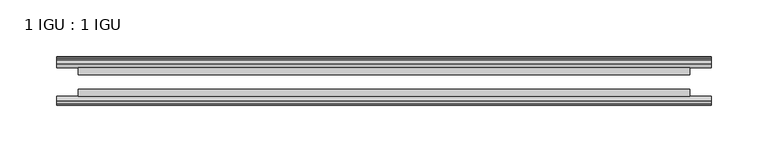
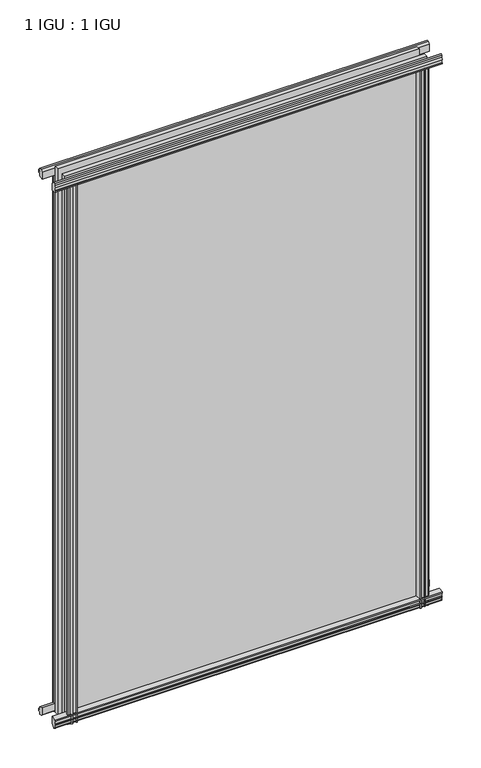
"""IFC4 building model written with IfcOpenShell, lengths in millimetres: plate geometry, 1 IGU : 1 IGU."""

import ifcopenshell
import ifcopenshell.guid

model = None  # the IFC model being written
_history = None  # IfcOwnerHistory: only IFC2X3 demands one
_inside = {}  # id of a spatial element -> (the spatial element, [elements in it])
_under = {}  # id of a project, library or spatial element -> (it, [spatial elements below it])
_declared = {}  # id of a project -> (the project, [libraries it declares])
_typed = {}  # id of a type object -> (the type object, [elements of that type])
_made_of = {}  # id of a material, layer set ... -> (it, [elements and type objects made of it])


def new_model(schema):
    """Start an empty IFC model of exactly this schema.

    Asked for "IFC4X3", IfcOpenShell would pick the latest addendum, in which some entities
    have other attributes; the version numbers below select the first issue.
    IFC2X3 requires an IfcOwnerHistory on every rooted entity: one is made here for all.
    """
    global model, _history
    if schema == "IFC4X3":
        model = ifcopenshell.file(schema_version=(4, 3, 0, 0))
    else:
        model = ifcopenshell.file(schema=schema)
    _inside.clear()
    _under.clear()
    _declared.clear()
    _typed.clear()
    _made_of.clear()
    _history = None
    if model.schema == "IFC2X3":
        org = make("IfcOrganization", Name="unknown")
        user = make(
            "IfcPersonAndOrganization",
            ThePerson=make("IfcPerson", FamilyName="unknown"),
            TheOrganization=org,
        )
        app = make(
            "IfcApplication",
            ApplicationDeveloper=org,
            Version="unknown",
            ApplicationFullName="unknown",
            ApplicationIdentifier="unknown",
        )
        _history = make(
            "IfcOwnerHistory",
            OwningUser=user,
            OwningApplication=app,
            ChangeAction="ADDED",
            CreationDate=0,
        )
    return model


def make(cls, **values):
    """One entity of the class cls with the attributes given. An attribute that is None is left unset."""
    return model.create_entity(
        cls, **{name: value for name, value in values.items() if value is not None}
    )


def rooted(cls, **values):
    """An entity with a GlobalId (a new one), such as an element, a storey or a relation."""
    return make(cls, GlobalId=ifcopenshell.guid.new(), OwnerHistory=_history, **values)


def si_unit(unit_type, name, prefix=None):
    """IfcSIUnit, for example si_unit("LENGTHUNIT", "METRE", prefix="MILLI")."""
    return make("IfcSIUnit", UnitType=unit_type, Prefix=prefix, Name=name)


def assignment(units):
    """IfcUnitAssignment: the units of a project."""
    return None if units is None else make("IfcUnitAssignment", Units=units)


def point(xyz):
    """IfcCartesianPoint."""
    return None if xyz is None else make("IfcCartesianPoint", Coordinates=xyz)


def direction(xyz):
    """IfcDirection."""
    return None if xyz is None else make("IfcDirection", DirectionRatios=xyz)


def frame(location, z_axis=None, x_axis=None):
    """IfcAxis2Placement3D, a coordinate frame: its origin and axes. An axis left out is left unset."""
    return make(
        "IfcAxis2Placement3D",
        Location=point(location),
        Axis=direction(z_axis),
        RefDirection=direction(x_axis),
    )


def frame_2d(location, x_axis=None):
    """IfcAxis2Placement2D, a coordinate frame in the plane: its origin and x axis."""
    return make(
        "IfcAxis2Placement2D", Location=point(location), RefDirection=direction(x_axis)
    )


def origin():
    """The frame at (0, 0, 0) with its axes left unset."""
    return frame((0.0, 0.0, 0.0))


def place(relative_to, where):
    """IfcLocalPlacement: puts the frame where relative to a parent placement (None: the world)."""
    return make(
        "IfcLocalPlacement", PlacementRelTo=relative_to, RelativePlacement=where
    )


def context(
    kind, dimensions, precision=None, world=None, true_north=None, identifier=None
):
    """IfcGeometricRepresentationContext, for example the 3D "Model" context."""
    return make(
        "IfcGeometricRepresentationContext",
        ContextIdentifier=identifier,
        ContextType=kind,
        CoordinateSpaceDimension=dimensions,
        Precision=precision,
        WorldCoordinateSystem=world,
        TrueNorth=true_north,
    )


def project(units=None, contexts=None):
    """IfcProject with its units and contexts."""
    return rooted(
        "IfcProject",
        Name="project",
        RepresentationContexts=contexts,
        UnitsInContext=assignment(units),
    )


def spatial(cls, under=None, at=None, **own):
    """A site, building, storey or space (cls), placed at a placement, below another one or the project."""
    s = rooted(cls, ObjectPlacement=at, **own)
    if under is not None:
        _under.setdefault(under.id(), (under, []))[1].append(s)
    return s


def polyline(points):
    """IfcPolyline through the points."""
    return make("IfcPolyline", Points=[point(p) for p in points])


def circle_curve(where, radius):
    """IfcCircle in the frame where."""
    return make("IfcCircle", Position=where, Radius=radius)


def trimmed(basis, trim1, trim2, sense, master):
    """IfcTrimmedCurve: the piece of a basis curve between two trims."""
    return make(
        "IfcTrimmedCurve",
        BasisCurve=basis,
        Trim1=trim1,
        Trim2=trim2,
        SenseAgreement=sense,
        MasterRepresentation=master,
    )


def segment(curve, same_sense, transition):
    """IfcCompositeCurveSegment."""
    return make(
        "IfcCompositeCurveSegment",
        Transition=transition,
        SameSense=same_sense,
        ParentCurve=curve,
    )


def composite_curve(segments, self_intersect=None):
    """IfcCompositeCurve: segments joined end to end."""
    return make("IfcCompositeCurve", Segments=segments, SelfIntersect=self_intersect)


def outline(outer, holes=None, kind="AREA"):
    """IfcArbitraryClosedProfileDef: a profile drawn as a closed curve; with holes, ...WithVoids."""
    if holes is None:
        return make("IfcArbitraryClosedProfileDef", ProfileType=kind, OuterCurve=outer)
    return make(
        "IfcArbitraryProfileDefWithVoids",
        ProfileType=kind,
        OuterCurve=outer,
        InnerCurves=holes,
    )


def extrude(swept, where, along, depth):
    """IfcExtrudedAreaSolid: the profile swept, set in the frame where, extruded along a direction by depth."""
    return make(
        "IfcExtrudedAreaSolid",
        SweptArea=swept,
        Position=where,
        ExtrudedDirection=direction(along),
        Depth=depth,
    )


def shape(context_of_items, identifier, shape_type, items):
    """IfcShapeRepresentation: the items that make up one representation, for example the "Body"."""
    return make(
        "IfcShapeRepresentation",
        ContextOfItems=context_of_items,
        RepresentationIdentifier=identifier,
        RepresentationType=shape_type,
        Items=items,
    )


def source(mapping_origin, context_of_items, identifier, shape_type, items):
    """IfcRepresentationMap: a shape defined once, which mapped items show again and again."""
    return make(
        "IfcRepresentationMap",
        MappingOrigin=mapping_origin,
        MappedRepresentation=shape(context_of_items, identifier, shape_type, items),
    )


def transform(
    local_origin,
    x_axis=None,
    y_axis=None,
    z_axis=None,
    scale=None,
    scale2=None,
    scale3=None,
    uniform=True,
):
    """IfcCartesianTransformationOperator3D, or its non-uniform kind. x_axis, y_axis, z_axis: its Axis1, 2, 3."""
    if uniform:
        return make(
            "IfcCartesianTransformationOperator3D",
            Axis1=direction(x_axis),
            Axis2=direction(y_axis),
            LocalOrigin=point(local_origin),
            Scale=scale,
            Axis3=direction(z_axis),
        )
    return make(
        "IfcCartesianTransformationOperator3DnonUniform",
        Axis1=direction(x_axis),
        Axis2=direction(y_axis),
        LocalOrigin=point(local_origin),
        Scale=scale,
        Axis3=direction(z_axis),
        Scale2=scale2,
        Scale3=scale3,
    )


def mapped(mapping_source, mapping_target):
    """IfcMappedItem: shows the shape of a source again, moved by a transform."""
    return make(
        "IfcMappedItem", MappingSource=mapping_source, MappingTarget=mapping_target
    )


def made_of(thing, what):
    """Note that an element or type object is made of a material, layer set ...; save() writes the relation."""
    if what is not None:
        _made_of.setdefault(what.id(), (what, []))[1].append(thing)
    return thing


def element(
    cls,
    number,
    at=None,
    inside=None,
    cuts=None,
    type_object=None,
    material=None,
    context=None,
    identifier="Body",
    shape_type=None,
    held_by="IfcProductDefinitionShape",
    body=None,
    shapes=None,
    **own,
):
    """One element of the class cls, such as IfcWall. Its Tag is "e" and its number.

    at: its placement. inside: the storey or other place that contains it. cuts: it is an
    opening in that element (IfcRelVoidsElement). A single representation is given by context,
    identifier, shape_type and body (its items); several are given by shapes. held_by: the class
    of the entity that holds the representations. save() writes the other relations.
    """
    e = rooted(cls, Tag="e%d" % number, ObjectPlacement=at, **own)
    if body is not None:
        shapes = [shape(context, identifier, shape_type, body)]
    if shapes is not None:
        e.Representation = make(held_by, Representations=shapes)
    if inside is not None:
        _inside.setdefault(inside.id(), (inside, []))[1].append(e)
    if cuts is not None:
        rooted(
            "IfcRelVoidsElement", RelatingBuildingElement=cuts, RelatedOpeningElement=e
        )
    if type_object is not None:
        _typed.setdefault(type_object.id(), (type_object, []))[1].append(e)
    return made_of(e, material)


def aggregate(whole, parts):
    """IfcRelAggregates: a whole, such as a stair, and the parts it consists of."""
    return rooted("IfcRelAggregates", RelatingObject=whole, RelatedObjects=parts)


def save(model, path):
    """Write the relations noted so far, then the file.

    IfcRelAggregates (storeys below a building ...), IfcRelContainedInSpatialStructure (elements
    in a storey), IfcRelDefinesByType, IfcRelAssociatesMaterial and IfcRelDeclares: one each for
    every whole, place, type object, material and project.
    """
    for whole, parts in _under.values():
        aggregate(whole, parts)
    for where, things in _inside.values():
        rooted(
            "IfcRelContainedInSpatialStructure",
            RelatedElements=things,
            RelatingStructure=where,
        )
    for kind, things in _typed.values():
        rooted("IfcRelDefinesByType", RelatedObjects=things, RelatingType=kind)
    for what, things in _made_of.values():
        rooted("IfcRelAssociatesMaterial", RelatedObjects=things, RelatingMaterial=what)
    for by, libraries in _declared.values():
        rooted("IfcRelDeclares", RelatingContext=by, RelatedDefinitions=libraries)
    model.write(path)


def plate_1_igu_1_igu_9ffc0d83(model_context):
    return source(origin(), model_context, "Body", "SweptSolid", [
        extrude(outline(composite_curve([segment(polyline([(-46.2359545, 846.392137), (-46.2359545, 835.3699197), (-53.3197108, 836.7372291)]), True, "CONTINUOUS"), segment(trimmed(circle_curve(frame_2d((-53.1447545, 837.7380519)), 1.016), [point((-53.3197108, 836.7372291))], [point((-53.8888005, 838.4298983))], False, "CARTESIAN"), True, "CONTINUOUS"), segment(polyline([(-53.8888005, 838.4298983), (-52.5859205, 838.2460519), (-52.5859205, 843.6562519), (-54.0652165, 843.9170917), (-52.5859205, 846.5010519), (-52.5859205, 849.6760519)]), True, "CONTINUOUS"), segment(trimmed(circle_curve(frame_2d((-51.3159205, 849.6760519)), 1.27), [point((-52.5859205, 849.6760519))], [point((-50.4178949, 850.5740775))], False, "CARTESIAN"), True, "CONTINUOUS"), segment(polyline([(-50.4178949, 850.5740775), (-46.2359545, 846.392137)]), True, "CONTINUOUS")], self_intersect=False)), frame((-289.5800819, 0.0, 0.0), z_axis=(1.0, 0.0, 0.0), x_axis=(0.0, 1.0, 0.0)), (0.0, 0.0, 1.0), 579.1601637),
        extrude(outline(polyline([(-17.4323375, 850.8285625), (-14.4859375, 850.8285625), (-14.4859375, 846.3835625), (-12.1057405, 846.0025625), (-12.5656738, 847.4180916), (-11.7644596, 847.4180916), (-11.0569375, 845.2405625), (-11.7644596, 843.0630334), (-12.5656738, 843.0630334), (-12.1057405, 844.4785625), (-14.4859375, 844.0975625), (-14.4859375, 838.8905625), (-20.8359545, 837.1728398), (-20.8359545, 847.9942062), (-17.4323375, 850.8285625)])), frame((-289.5800819, 0.0, 0.0), z_axis=(1.0, 0.0, 0.0), x_axis=(0.0, 1.0, 0.0)), (0.0, 0.0, 1.0), 579.1601637),
        extrude(outline(polyline([(-20.8359545, 1.2049602), (-14.4859375, -0.5127625), (-14.4859375, -5.7197625), (-12.1057405, -6.1007625), (-12.5656738, -4.6852334), (-11.7644596, -4.6852334), (-11.0569375, -6.8627625), (-11.7644596, -9.0402916), (-12.5656738, -9.0402916), (-12.1057405, -7.6247625), (-14.4859375, -8.0057625), (-14.4859375, -12.4507625), (-17.4323375, -12.4507625), (-20.8359545, -9.6164062), (-20.8359545, 1.2049602)])), frame((-289.5800819, 0.0, 0.0), z_axis=(1.0, 0.0, 0.0), x_axis=(0.0, 1.0, 0.0)), (0.0, 0.0, 1.0), 579.1601637),
        extrude(outline(composite_curve([segment(polyline([(-53.3197108, 1.6405709), (-46.2359545, 3.0078803), (-46.2359545, -8.014337), (-50.4178949, -12.1962775)]), True, "CONTINUOUS"), segment(trimmed(circle_curve(frame_2d((-51.3159205, -11.2982519)), 1.27), [point((-50.4178949, -12.1962775))], [point((-52.5859205, -11.2982519))], False, "CARTESIAN"), True, "CONTINUOUS"), segment(polyline([(-52.5859205, -11.2982519), (-52.5859205, -8.1232519), (-54.0652165, -5.5392917), (-52.5859205, -5.2784519), (-52.5859205, 0.1317481), (-53.8888005, -0.0520983)]), True, "CONTINUOUS"), segment(trimmed(circle_curve(frame_2d((-53.1447545, 0.6397481)), 1.016), [point((-53.8888005, -0.0520983))], [point((-53.3197108, 1.6405709))], False, "CARTESIAN"), True, "CONTINUOUS")], self_intersect=False)), frame((-289.5800819, 0.0, 0.0), z_axis=(1.0, 0.0, 0.0), x_axis=(0.0, 1.0, 0.0)), (0.0, 0.0, 1.0), 579.1601637),
        extrude(outline(polyline([(-265.4795621, -12.1057405), (-266.8950912, -12.5656738), (-266.8950912, -11.7644596), (-264.7175621, -11.0569375), (-262.5400331, -11.7644596), (-262.5400331, -12.5656738), (-263.9555621, -12.1057405), (-263.5745621, -14.4859375), (-258.3675621, -14.4859375), (-256.649844, -20.8359375), (-267.47122, -20.8359375), (-270.3055621, -17.4323375), (-270.3055621, -14.4859375), (-265.8605621, -14.4859375), (-265.4795621, -12.1057405)])), frame((0.0, 0.0, -12.6752823), z_axis=(0.0, 0.0, 1.0), x_axis=(1.0, 0.0, 0.0)), (0.0, 0.0, 1.0), 851.0530823),
        extrude(outline(composite_curve([segment(polyline([(-265.8691197, -46.2359375), (-254.8469161, -46.2359375), (-256.2142287, -53.3197108)]), True, "CONTINUOUS"), segment(trimmed(circle_curve(frame_2d((-257.2150515, -53.1447545)), 1.016), [point((-256.2142287, -53.3197108))], [point((-257.9068979, -53.8888005))], False, "CARTESIAN"), True, "CONTINUOUS"), segment(polyline([(-257.9068979, -53.8888005), (-257.7230515, -52.5859205), (-263.1332515, -52.5859205), (-263.3940913, -54.0652165), (-265.9780515, -52.5859205), (-269.1530515, -52.5859205)]), True, "CONTINUOUS"), segment(trimmed(circle_curve(frame_2d((-269.1530515, -51.3159205)), 1.27), [point((-269.1530515, -52.5859205))], [point((-270.0510771, -50.4178949))], False, "CARTESIAN"), True, "CONTINUOUS"), segment(polyline([(-270.0510771, -50.4178949), (-265.8691197, -46.2359375)]), True, "CONTINUOUS")], self_intersect=False)), frame((0.0, 0.0, -12.6752823), z_axis=(0.0, 0.0, 1.0), x_axis=(1.0, 0.0, 0.0)), (0.0, 0.0, 1.0), 851.0530823),
        extrude(outline(composite_curve([segment(polyline([(256.2142287, -53.3197108), (254.8469161, -46.2359375), (265.8691197, -46.2359375), (270.0510771, -50.4178949)]), True, "CONTINUOUS"), segment(trimmed(circle_curve(frame_2d((269.1530515, -51.3159205)), 1.27), [point((270.0510771, -50.4178949))], [point((269.1530515, -52.5859205))], False, "CARTESIAN"), True, "CONTINUOUS"), segment(polyline([(269.1530515, -52.5859205), (265.9780515, -52.5859205), (263.3940913, -54.0652165), (263.1332515, -52.5859205), (257.7230515, -52.5859205), (257.946015, -53.8504091)]), True, "CONTINUOUS"), segment(trimmed(circle_curve(frame_2d((257.2150515, -53.1447545)), 1.016), [point((257.946015, -53.8504091))], [point((256.2142287, -53.3197108))], False, "CARTESIAN"), True, "CONTINUOUS")], self_intersect=False)), frame((0.0, 0.0, -12.6752823), z_axis=(0.0, 0.0, 1.0), x_axis=(1.0, 0.0, 0.0)), (0.0, 0.0, 1.0), 851.0530823),
        extrude(outline(polyline([(262.5400331, -11.7644596), (264.7175621, -11.0569375), (266.8950912, -11.7644596), (266.8950912, -12.5656738), (265.4795621, -12.1057405), (265.8605621, -14.4859375), (270.3055621, -14.4859375), (270.3055621, -17.4323375), (267.47122, -20.8359375), (256.649844, -20.8359375), (258.3675621, -14.4859375), (263.5745621, -14.4859375), (263.9555621, -12.1057405), (262.5400331, -12.5656738), (262.5400331, -11.7644596)])), frame((0.0, 0.0, -12.6752823), z_axis=(0.0, 0.0, 1.0), x_axis=(1.0, 0.0, 0.0)), (0.0, 0.0, 1.0), 851.0530823),
        extrude(outline(polyline([(270.5300819, -20.8359375), (270.5300819, -27.1859375), (-270.5300819, -27.1859375), (-270.5300819, -20.8359375), (270.5300819, -20.8359375)])), frame((0.0, 0.0, -12.6752823), z_axis=(0.0, 0.0, 1.0), x_axis=(1.0, 0.0, 0.0)), (0.0, 0.0, 1.0), 863.7283645),
        extrude(outline(polyline([(-270.5300819, -46.2359375), (-270.5300819, -39.8859375), (270.5300819, -39.8859375), (270.5300819, -46.2359375), (-270.5300819, -46.2359375)])), frame((0.0, 0.0, -12.6752823), z_axis=(0.0, 0.0, 1.0), x_axis=(1.0, 0.0, 0.0)), (0.0, 0.0, 1.0), 863.7283645),
    ])


if __name__ == "__main__":
    model = new_model("IFC4")
    model_context = context("Model", 3, world=origin())
    ifc_project = project(units=[si_unit("LENGTHUNIT", "METRE", prefix="MILLI")], contexts=[model_context])
    site = spatial("IfcSite", under=ifc_project)
    building = spatial("IfcBuilding", under=site)
    placement = place(None, origin())
    plate_1_igu_1_igu_shape = plate_1_igu_1_igu_9ffc0d83(model_context)
    element("IfcPlate", 1, ObjectType="1 IGU : 1 IGU", at=placement, inside=building, context=model_context, shape_type="MappedRepresentation", body=[
        mapped(plate_1_igu_1_igu_shape, transform((0.0, 0.0, 0.0), x_axis=(1.0, 0.0, 0.0), y_axis=(0.0, 1.0, 0.0), z_axis=(0.0, 0.0, 1.0))),
    ])
    save(model, "model.ifc")
